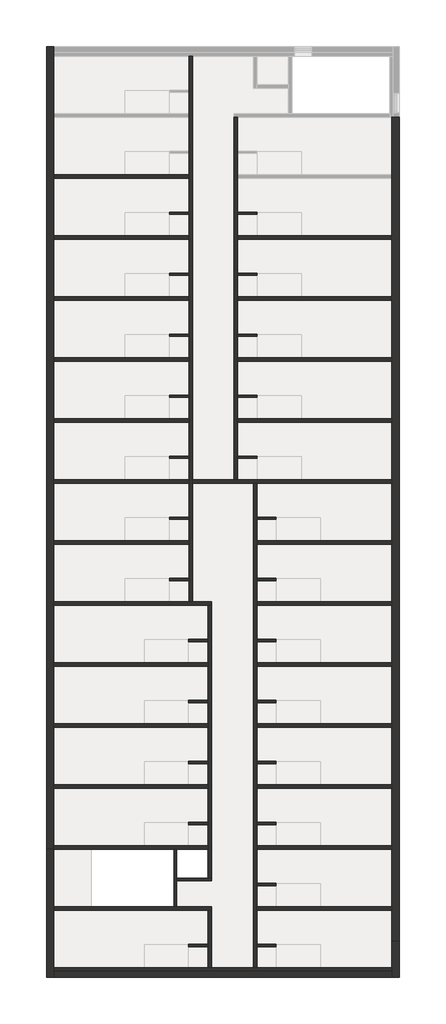
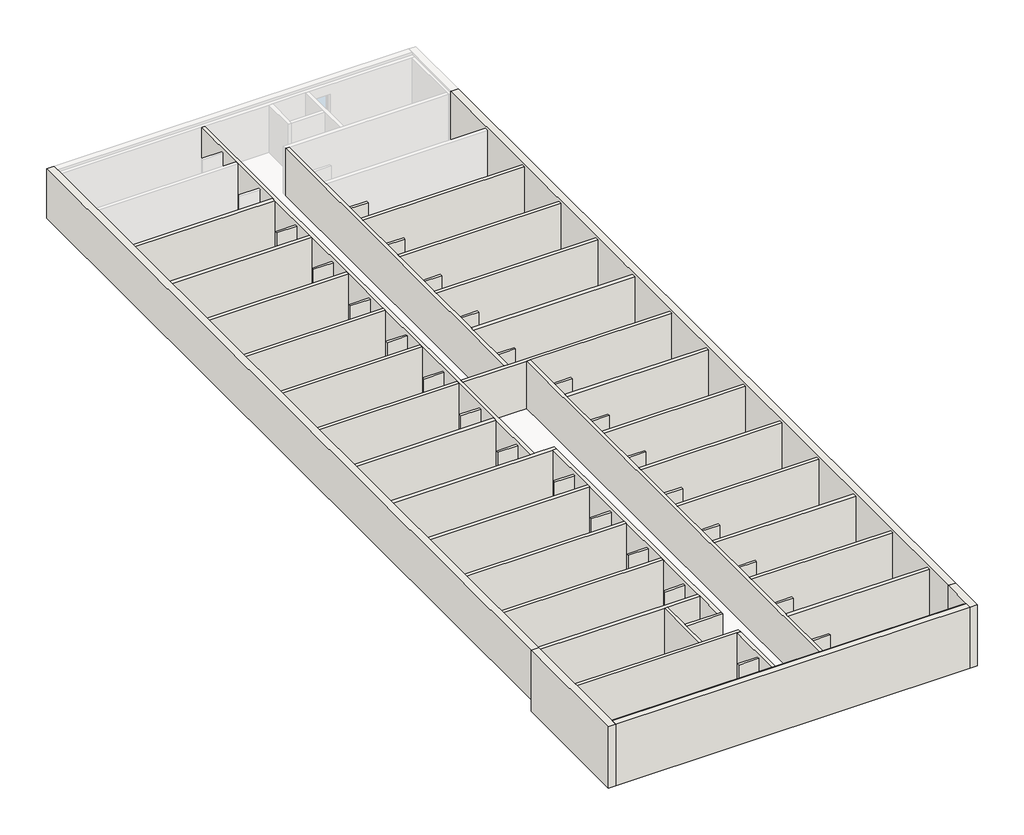
# One storey, part 1 of 2: 63 walls.
"""IFC4 building model written with IfcOpenShell, lengths in millimetres."""

import ifcopenshell
import ifcopenshell.guid

model = None  # the IFC model being written
_history = None  # IfcOwnerHistory: only IFC2X3 demands one
_inside = {}  # id of a spatial element -> (the spatial element, [elements in it])
_under = {}  # id of a project, library or spatial element -> (it, [spatial elements below it])
_declared = {}  # id of a project -> (the project, [libraries it declares])
_typed = {}  # id of a type object -> (the type object, [elements of that type])
_made_of = {}  # id of a material, layer set ... -> (it, [elements and type objects made of it])


def new_model(schema):
    """Start an empty IFC model of exactly this schema.

    Asked for "IFC4X3", IfcOpenShell would pick the latest addendum, in which some entities
    have other attributes; the version numbers below select the first issue.
    IFC2X3 requires an IfcOwnerHistory on every rooted entity: one is made here for all.
    """
    global model, _history
    if schema == "IFC4X3":
        model = ifcopenshell.file(schema_version=(4, 3, 0, 0))
    else:
        model = ifcopenshell.file(schema=schema)
    _inside.clear()
    _under.clear()
    _declared.clear()
    _typed.clear()
    _made_of.clear()
    _history = None
    if model.schema == "IFC2X3":
        org = make("IfcOrganization", Name="unknown")
        user = make(
            "IfcPersonAndOrganization",
            ThePerson=make("IfcPerson", FamilyName="unknown"),
            TheOrganization=org,
        )
        app = make(
            "IfcApplication",
            ApplicationDeveloper=org,
            Version="unknown",
            ApplicationFullName="unknown",
            ApplicationIdentifier="unknown",
        )
        _history = make(
            "IfcOwnerHistory",
            OwningUser=user,
            OwningApplication=app,
            ChangeAction="ADDED",
            CreationDate=0,
        )
    return model


def make(cls, **values):
    """One entity of the class cls with the attributes given. An attribute that is None is left unset."""
    return model.create_entity(
        cls, **{name: value for name, value in values.items() if value is not None}
    )


def rooted(cls, **values):
    """An entity with a GlobalId (a new one), such as an element, a storey or a relation."""
    return make(cls, GlobalId=ifcopenshell.guid.new(), OwnerHistory=_history, **values)


def si_unit(unit_type, name, prefix=None):
    """IfcSIUnit, for example si_unit("LENGTHUNIT", "METRE", prefix="MILLI")."""
    return make("IfcSIUnit", UnitType=unit_type, Prefix=prefix, Name=name)


def assignment(units):
    """IfcUnitAssignment: the units of a project."""
    return None if units is None else make("IfcUnitAssignment", Units=units)


def point(xyz):
    """IfcCartesianPoint."""
    return None if xyz is None else make("IfcCartesianPoint", Coordinates=xyz)


def direction(xyz):
    """IfcDirection."""
    return None if xyz is None else make("IfcDirection", DirectionRatios=xyz)


def frame(location, z_axis=None, x_axis=None):
    """IfcAxis2Placement3D, a coordinate frame: its origin and axes. An axis left out is left unset."""
    return make(
        "IfcAxis2Placement3D",
        Location=point(location),
        Axis=direction(z_axis),
        RefDirection=direction(x_axis),
    )


def origin():
    """The frame at (0, 0, 0) with its axes left unset."""
    return frame((0.0, 0.0, 0.0))


def place(relative_to, where):
    """IfcLocalPlacement: puts the frame where relative to a parent placement (None: the world)."""
    return make(
        "IfcLocalPlacement", PlacementRelTo=relative_to, RelativePlacement=where
    )


def context(
    kind, dimensions, precision=None, world=None, true_north=None, identifier=None
):
    """IfcGeometricRepresentationContext, for example the 3D "Model" context."""
    return make(
        "IfcGeometricRepresentationContext",
        ContextIdentifier=identifier,
        ContextType=kind,
        CoordinateSpaceDimension=dimensions,
        Precision=precision,
        WorldCoordinateSystem=world,
        TrueNorth=true_north,
    )


def project(units=None, contexts=None):
    """IfcProject with its units and contexts."""
    return rooted(
        "IfcProject",
        Name="project",
        RepresentationContexts=contexts,
        UnitsInContext=assignment(units),
    )


def spatial(cls, under=None, at=None, **own):
    """A site, building, storey or space (cls), placed at a placement, below another one or the project."""
    s = rooted(cls, ObjectPlacement=at, **own)
    if under is not None:
        _under.setdefault(under.id(), (under, []))[1].append(s)
    return s


def polyline(points):
    """IfcPolyline through the points."""
    return make("IfcPolyline", Points=[point(p) for p in points])


def outline(outer, holes=None, kind="AREA"):
    """IfcArbitraryClosedProfileDef: a profile drawn as a closed curve; with holes, ...WithVoids."""
    if holes is None:
        return make("IfcArbitraryClosedProfileDef", ProfileType=kind, OuterCurve=outer)
    return make(
        "IfcArbitraryProfileDefWithVoids",
        ProfileType=kind,
        OuterCurve=outer,
        InnerCurves=holes,
    )


def extrude(swept, where, along, depth):
    """IfcExtrudedAreaSolid: the profile swept, set in the frame where, extruded along a direction by depth."""
    return make(
        "IfcExtrudedAreaSolid",
        SweptArea=swept,
        Position=where,
        ExtrudedDirection=direction(along),
        Depth=depth,
    )


def faces_of(points, faces, orient=None, outer=None):
    """IfcFace entities. A face is a list of loops; a loop is a list of indices into points, from 0.

    orient and outer hold one flag for each loop. By default every Orientation is true, the
    first loop of a face is its IfcFaceOuterBound and the others are IfcFaceBound.
    """
    made = []
    for i, loops in enumerate(faces):
        bounds = []
        for j, loop in enumerate(loops):
            is_outer = j == 0 if outer is None else outer[i][j]
            bounds.append(
                make(
                    "IfcFaceOuterBound" if is_outer else "IfcFaceBound",
                    Bound=make("IfcPolyLoop", Polygon=[points[k] for k in loop]),
                    Orientation=True if orient is None else orient[i][j],
                )
            )
        made.append(make("IfcFace", Bounds=bounds))
    return made


def faceted_brep(points, faces, orient=None, outer=None, voids=None):
    """IfcFacetedBrep: a solid bounded by flat faces; with voids (closed shells), ...WithVoids."""
    shared = [point(p) for p in points]
    hull = make("IfcClosedShell", CfsFaces=faces_of(shared, faces, orient, outer))
    if voids is None:
        return make("IfcFacetedBrep", Outer=hull)
    return make(
        "IfcFacetedBrepWithVoids",
        Outer=hull,
        Voids=[
            make(cls, CfsFaces=faces_of(shared, fs, o, b)) for cls, fs, o, b in voids
        ],
    )


def shape(context_of_items, identifier, shape_type, items):
    """IfcShapeRepresentation: the items that make up one representation, for example the "Body"."""
    return make(
        "IfcShapeRepresentation",
        ContextOfItems=context_of_items,
        RepresentationIdentifier=identifier,
        RepresentationType=shape_type,
        Items=items,
    )


def made_of(thing, what):
    """Note that an element or type object is made of a material, layer set ...; save() writes the relation."""
    if what is not None:
        _made_of.setdefault(what.id(), (what, []))[1].append(thing)
    return thing


def element(
    cls,
    number,
    at=None,
    inside=None,
    cuts=None,
    type_object=None,
    material=None,
    context=None,
    identifier="Body",
    shape_type=None,
    held_by="IfcProductDefinitionShape",
    body=None,
    shapes=None,
    **own,
):
    """One element of the class cls, such as IfcWall. Its Tag is "e" and its number.

    at: its placement. inside: the storey or other place that contains it. cuts: it is an
    opening in that element (IfcRelVoidsElement). A single representation is given by context,
    identifier, shape_type and body (its items); several are given by shapes. held_by: the class
    of the entity that holds the representations. save() writes the other relations.
    """
    e = rooted(cls, Tag="e%d" % number, ObjectPlacement=at, **own)
    if body is not None:
        shapes = [shape(context, identifier, shape_type, body)]
    if shapes is not None:
        e.Representation = make(held_by, Representations=shapes)
    if inside is not None:
        _inside.setdefault(inside.id(), (inside, []))[1].append(e)
    if cuts is not None:
        rooted(
            "IfcRelVoidsElement", RelatingBuildingElement=cuts, RelatedOpeningElement=e
        )
    if type_object is not None:
        _typed.setdefault(type_object.id(), (type_object, []))[1].append(e)
    return made_of(e, material)


def aggregate(whole, parts):
    """IfcRelAggregates: a whole, such as a stair, and the parts it consists of."""
    return rooted("IfcRelAggregates", RelatingObject=whole, RelatedObjects=parts)


def save(model, path):
    """Write the relations noted so far, then the file.

    IfcRelAggregates (storeys below a building ...), IfcRelContainedInSpatialStructure (elements
    in a storey), IfcRelDefinesByType, IfcRelAssociatesMaterial and IfcRelDeclares: one each for
    every whole, place, type object, material and project.
    """
    for whole, parts in _under.values():
        aggregate(whole, parts)
    for where, things in _inside.values():
        rooted(
            "IfcRelContainedInSpatialStructure",
            RelatedElements=things,
            RelatingStructure=where,
        )
    for kind, things in _typed.values():
        rooted("IfcRelDefinesByType", RelatedObjects=things, RelatingType=kind)
    for what, things in _made_of.values():
        rooted("IfcRelAssociatesMaterial", RelatedObjects=things, RelatingMaterial=what)
    for by, libraries in _declared.values():
        rooted("IfcRelDeclares", RelatingContext=by, RelatedDefinitions=libraries)
    model.write(path)


model = new_model("IFC4")

# Units and contexts
model_context = context("Model", 3, world=origin())
ifc_project = project(units=[si_unit("LENGTHUNIT", "METRE", prefix="MILLI")], contexts=[model_context])

# Site, building, storey
site = spatial("IfcSite", under=ifc_project)
building = spatial("IfcBuilding", under=site)
storey = spatial("IfcBuildingStorey", under=building, Elevation=2880.0)

# Walls
placement = place(None, origin())
element("IfcWall", 1, at=placement, inside=storey, context=model_context, shape_type="Brep", body=[
    faceted_brep([(10800.3929779, -4022.7101651, 2750.0), (10800.3929779, -24822.7101651, 2750.0), (10800.3929779, -24822.7101651, 2880.0), (10800.3929779, -24822.7101651, 4980.0), (10800.3929779, -24822.7101651, 5630.0), (10800.3929779, -4022.7101651, 5630.0), (11000.3929779, -4022.7101651, 2750.0), (11000.3929779, -4022.7101651, 5630.0), (11000.3929779, -7322.7101651, 5630.0), (11000.3929779, -7522.7101651, 5630.0), (11000.3929779, -10822.7101651, 5630.0), (11000.3929779, -11022.7101651, 5630.0), (11000.3929779, -14322.7101651, 5630.0), (11000.3929779, -14522.7101651, 5630.0), (11000.3929779, -17822.7101651, 5630.0), (11000.3929779, -18022.7101651, 5630.0), (11000.3929779, -21322.7101651, 5630.0), (11000.3929779, -21522.7101651, 5630.0), (11000.3929779, -24822.7101651, 5630.0), (11000.3929779, -24822.7101651, 2750.0), (11000.3929779, -21522.7101651, 2750.0), (11000.3929779, -21322.7101651, 2750.0), (11000.3929779, -18022.7101651, 2750.0), (11000.3929779, -17822.7101651, 2750.0), (11000.3929779, -14522.7101651, 2750.0), (11000.3929779, -14322.7101651, 2750.0), (11000.3929779, -11022.7101651, 2750.0), (11000.3929779, -10822.7101651, 2750.0), (11000.3929779, -7522.7101651, 2750.0), (11000.3929779, -7322.7101651, 2750.0)], [[[0, 1, 2, 3, 4, 5]], [[6, 7, 8, 9, 10, 11, 12, 13, 14, 15, 16, 17, 18, 19, 20, 21, 22, 23, 24, 25, 26, 27, 28, 29]], [[1, 0, 6, 29, 28, 27, 26, 25, 24, 23, 22, 21, 20, 19]], [[5, 4, 18, 17, 16, 15, 14, 13, 12, 11, 10, 9, 8, 7]], [[0, 5, 7, 6]], [[4, 3, 2, 1, 19, 18]]]),
])
element("IfcWall", 2, at=placement, inside=storey, context=model_context, shape_type="Brep", body=[
    faceted_brep([(435.3929779, -46022.7101651, 2750.0), (7350.3929779, -46022.7101651, 2750.0), (7500.3929779, -46022.7101651, 2750.0), (9300.3929779, -46022.7101651, 2750.0), (9300.3929779, -46022.7101651, 5630.0), (7500.3929779, -46022.7101651, 5630.0), (7350.3929779, -46022.7101651, 5630.0), (435.3929779, -46022.7101651, 5630.0), (435.3929779, -46022.7101651, 2880.0), (435.3929779, -45822.7101651, 2750.0), (435.3929779, -45822.7101651, 5630.0), (9300.3929779, -45822.7101651, 5630.0), (9300.3929779, -45822.7101651, 2750.0)], [[[0, 1, 2, 3, 4, 5, 6, 7, 8]], [[9, 10, 11, 12]], [[3, 2, 1, 0, 9, 12]], [[7, 6, 5, 4, 11, 10]], [[4, 3, 12, 11]], [[0, 8, 7, 10, 9]]]),
])
element("IfcWall", 3, at=placement, inside=storey, context=model_context, shape_type="Brep", body=[
    faceted_brep([(435.3929779, -49522.7101651, 2750.0), (9300.3929779, -49522.7101651, 2750.0), (9500.3929779, -49522.7101651, 2750.0), (9500.3929779, -49522.7101651, 5630.0), (9300.3929779, -49522.7101651, 5630.0), (435.3929779, -49522.7101651, 5630.0), (435.3929779, -49322.7101651, 2750.0), (435.3929779, -49322.7101651, 5630.0), (7350.3929779, -49322.7101651, 5630.0), (7500.3929779, -49322.7101651, 5630.0), (9500.3929779, -49322.7101651, 5630.0), (9500.3929779, -49322.7101651, 2750.0), (7500.3929779, -49322.7101651, 2750.0), (7350.3929779, -49322.7101651, 2750.0)], [[[0, 1, 2, 3, 4, 5]], [[6, 7, 8, 9, 10, 11, 12, 13]], [[2, 1, 0, 6, 13, 12, 11]], [[5, 4, 3, 10, 9, 8, 7]], [[3, 2, 11, 10]], [[0, 5, 7, 6]]]),
])
element("IfcWall", 4, at=placement, inside=storey, context=model_context, shape_type="Brep", body=[
    faceted_brep([(12100.3929779, -52822.7101651, 2750.0), (12100.3929779, -49522.7101651, 2750.0), (12100.3929779, -49322.7101651, 2750.0), (12100.3929779, -46022.7101651, 2750.0), (12100.3929779, -45822.7101651, 2750.0), (12100.3929779, -42522.7101651, 2750.0), (12100.3929779, -42322.7101651, 2750.0), (12100.3929779, -39022.7101651, 2750.0), (12100.3929779, -38822.7101651, 2750.0), (12100.3929779, -35522.7101651, 2750.0), (12100.3929779, -35322.7101651, 2750.0), (12100.3929779, -32022.7101651, 2750.0), (12100.3929779, -31822.7101651, 2750.0), (12100.3929779, -28522.7101651, 2750.0), (12100.3929779, -28322.7101651, 2750.0), (12100.3929779, -25022.7101651, 2750.0), (12100.3929779, -25022.7101651, 5630.0), (12100.3929779, -28322.7101651, 5630.0), (12100.3929779, -28522.7101651, 5630.0), (12100.3929779, -31822.7101651, 5630.0), (12100.3929779, -32022.7101651, 5630.0), (12100.3929779, -35322.7101651, 5630.0), (12100.3929779, -35522.7101651, 5630.0), (12100.3929779, -38822.7101651, 5630.0), (12100.3929779, -39022.7101651, 5630.0), (12100.3929779, -42322.7101651, 5630.0), (12100.3929779, -42522.7101651, 5630.0), (12100.3929779, -45822.7101651, 5630.0), (12100.3929779, -46022.7101651, 5630.0), (12100.3929779, -49322.7101651, 5630.0), (12100.3929779, -49522.7101651, 5630.0), (12100.3929779, -52822.7101651, 5630.0), (11900.3929779, -52822.7101651, 2750.0), (11900.3929779, -52822.7101651, 5630.0), (11900.3929779, -25022.7101651, 5630.0), (11900.3929779, -25022.7101651, 2750.0)], [[[0, 1, 2, 3, 4, 5, 6, 7, 8, 9, 10, 11, 12, 13, 14, 15, 16, 17, 18, 19, 20, 21, 22, 23, 24, 25, 26, 27, 28, 29, 30, 31]], [[32, 33, 34, 35]], [[15, 14, 13, 12, 11, 10, 9, 8, 7, 6, 5, 4, 3, 2, 1, 0, 32, 35]], [[31, 30, 29, 28, 27, 26, 25, 24, 23, 22, 21, 20, 19, 18, 17, 16, 34, 33]], [[16, 15, 35, 34]], [[0, 31, 33, 32]]]),
])
element("IfcWall", 5, at=placement, inside=storey, context=model_context, shape_type="SweptSolid", body=[
    extrude(outline(polyline([(19865.3929779, -46022.7101651), (12100.3929779, -46022.7101651), (12100.3929779, -45822.7101651), (19865.3929779, -45822.7101651), (19865.3929779, -46022.7101651)])), frame((0.0, 0.0, 2750.0), z_axis=(0.0, 0.0, 1.0), x_axis=(1.0, 0.0, 0.0)), (0.0, 0.0, 1.0), 2880.0),
])
element("IfcWall", 6, at=placement, inside=storey, context=model_context, shape_type="Brep", body=[
    faceted_brep([(7350.3929779, -46022.7101651, 2750.0), (7350.3929779, -49322.7101651, 2750.0), (7350.3929779, -49322.7101651, 5630.0), (7350.3929779, -46022.7101651, 5630.0), (7500.3929779, -46022.7101651, 2750.0), (7500.3929779, -46022.7101651, 5630.0), (7500.3929779, -47672.7101651, 5630.0), (7500.3929779, -47822.7101651, 5630.0), (7500.3929779, -49322.7101651, 5630.0), (7500.3929779, -49322.7101651, 2750.0), (7500.3929779, -47822.7101651, 2750.0), (7500.3929779, -47672.7101651, 2750.0)], [[[0, 1, 2, 3]], [[4, 5, 6, 7, 8, 9, 10, 11]], [[1, 0, 4, 11, 10, 9]], [[3, 2, 8, 7, 6, 5]], [[2, 1, 9, 8]], [[0, 3, 5, 4]]]),
])
element("IfcWall", 7, at=placement, inside=storey, context=model_context, shape_type="Brep", body=[
    faceted_brep([(7500.3929779, -47822.7101651, 2750.0), (9500.3929779, -47822.7101651, 2750.0), (9500.3929779, -47822.7101651, 5630.0), (7500.3929779, -47822.7101651, 5630.0), (7500.3929779, -47672.7101651, 2750.0), (7500.3929779, -47672.7101651, 5630.0), (9300.3929779, -47672.7101651, 5630.0), (9500.3929779, -47672.7101651, 5630.0), (9500.3929779, -47672.7101651, 2750.0), (9300.3929779, -47672.7101651, 2750.0)], [[[0, 1, 2, 3]], [[4, 5, 6, 7, 8, 9]], [[1, 0, 4, 9, 8]], [[3, 2, 7, 6, 5]], [[0, 3, 5, 4]], [[2, 1, 8, 7]]]),
])
element("IfcWall", 8, at=placement, inside=storey, context=model_context, shape_type="Brep", body=[
    faceted_brep([(9500.3929779, -47672.7101651, 2750.0), (9500.3929779, -32022.7101651, 2750.0), (9500.3929779, -32022.7101651, 5630.0), (9500.3929779, -47672.7101651, 5630.0), (9300.3929779, -32022.7101651, 2750.0), (9300.3929779, -35322.7101651, 2750.0), (9300.3929779, -35522.7101651, 2750.0), (9300.3929779, -38822.7101651, 2750.0), (9300.3929779, -39022.7101651, 2750.0), (9300.3929779, -42322.7101651, 2750.0), (9300.3929779, -42522.7101651, 2750.0), (9300.3929779, -45822.7101651, 2750.0), (9300.3929779, -46022.7101651, 2750.0), (9300.3929779, -47672.7101651, 2750.0), (9300.3929779, -47672.7101651, 5630.0), (9300.3929779, -46022.7101651, 5630.0), (9300.3929779, -45822.7101651, 5630.0), (9300.3929779, -42522.7101651, 5630.0), (9300.3929779, -42322.7101651, 5630.0), (9300.3929779, -39022.7101651, 5630.0), (9300.3929779, -38822.7101651, 5630.0), (9300.3929779, -35522.7101651, 5630.0), (9300.3929779, -35322.7101651, 5630.0), (9300.3929779, -32022.7101651, 5630.0)], [[[0, 1, 2, 3]], [[4, 5, 6, 7, 8, 9, 10, 11, 12, 13, 14, 15, 16, 17, 18, 19, 20, 21, 22, 23]], [[1, 0, 13, 12, 11, 10, 9, 8, 7, 6, 5, 4]], [[3, 2, 23, 22, 21, 20, 19, 18, 17, 16, 15, 14]], [[0, 3, 14, 13]], [[2, 1, 4, 23]]]),
])
element("IfcWall", 9, at=placement, inside=storey, context=model_context, shape_type="SweptSolid", body=[
    extrude(outline(polyline([(9300.3929779, -42522.7101651), (435.3929779, -42522.7101651), (435.3929779, -42322.7101651), (9300.3929779, -42322.7101651), (9300.3929779, -42522.7101651)])), frame((0.0, 0.0, 2750.0), z_axis=(0.0, 0.0, 1.0), x_axis=(1.0, 0.0, 0.0)), (0.0, 0.0, 1.0), 2880.0),
])
element("IfcWall", 10, at=placement, inside=storey, context=model_context, shape_type="SweptSolid", body=[
    extrude(outline(polyline([(435.3929779, -38822.7101651), (9300.3929779, -38822.7101651), (9300.3929779, -39022.7101651), (435.3929779, -39022.7101651), (435.3929779, -38822.7101651)])), frame((0.0, 0.0, 2750.0), z_axis=(0.0, 0.0, 1.0), x_axis=(1.0, 0.0, 0.0)), (0.0, 0.0, 1.0), 2880.0),
])
element("IfcWall", 11, at=placement, inside=storey, context=model_context, shape_type="SweptSolid", body=[
    extrude(outline(polyline([(435.3929779, -35322.7101651), (9300.3929779, -35322.7101651), (9300.3929779, -35522.7101651), (435.3929779, -35522.7101651), (435.3929779, -35322.7101651)])), frame((0.0, 0.0, 2750.0), z_axis=(0.0, 0.0, 1.0), x_axis=(1.0, 0.0, 0.0)), (0.0, 0.0, 1.0), 2880.0),
])
element("IfcWall", 12, at=placement, inside=storey, context=model_context, shape_type="Brep", body=[
    faceted_brep([(9500.3929779, -31822.7101651, 2750.0), (8400.3929779, -31822.7101651, 2750.0), (8200.3929779, -31822.7101651, 2750.0), (435.3929779, -31822.7101651, 2750.0), (435.3929779, -31822.7101651, 5630.0), (8200.3929779, -31822.7101651, 5630.0), (8400.3929779, -31822.7101651, 5630.0), (9500.3929779, -31822.7101651, 5630.0), (9500.3929779, -32022.7101651, 2750.0), (9500.3929779, -32022.7101651, 5630.0), (9300.3929779, -32022.7101651, 5630.0), (435.3929779, -32022.7101651, 5630.0), (435.3929779, -32022.7101651, 2750.0), (9300.3929779, -32022.7101651, 2750.0)], [[[0, 1, 2, 3, 4, 5, 6, 7]], [[8, 9, 10, 11, 12, 13]], [[3, 2, 1, 0, 8, 13, 12]], [[7, 6, 5, 4, 11, 10, 9]], [[0, 7, 9, 8]], [[4, 3, 12, 11]]]),
])
element("IfcWall", 13, at=placement, inside=storey, context=model_context, shape_type="SweptSolid", body=[
    extrude(outline(polyline([(475.3929779, -28322.7101651), (8200.3929779, -28322.7101651), (8200.3929779, -28522.7101651), (475.3929779, -28522.7101651), (475.3929779, -28322.7101651)])), frame((0.0, 0.0, 2750.0), z_axis=(0.0, 0.0, 1.0), x_axis=(1.0, 0.0, 0.0)), (0.0, 0.0, 1.0), 2880.0),
])
element("IfcWall", 14, at=placement, inside=storey, context=model_context, shape_type="SweptSolid", body=[
    extrude(outline(polyline([(435.3929779, -24822.7101651), (8200.3929779, -24822.7101651), (8200.3929779, -25022.7101651), (435.3929779, -25022.7101651), (435.3929779, -24822.7101651)])), frame((0.0, 0.0, 2750.0), z_axis=(0.0, 0.0, 1.0), x_axis=(1.0, 0.0, 0.0)), (0.0, 0.0, 1.0), 2880.0),
])
element("IfcWall", 15, at=placement, inside=storey, context=model_context, shape_type="SweptSolid", body=[
    extrude(outline(polyline([(435.3929779, -21322.7101651), (8200.3929779, -21322.7101651), (8200.3929779, -21522.7101651), (435.3929779, -21522.7101651), (435.3929779, -21322.7101651)])), frame((0.0, 0.0, 2750.0), z_axis=(0.0, 0.0, 1.0), x_axis=(1.0, 0.0, 0.0)), (0.0, 0.0, 1.0), 2880.0),
])
element("IfcWall", 16, at=placement, inside=storey, context=model_context, shape_type="SweptSolid", body=[
    extrude(outline(polyline([(435.3929779, -17822.7101651), (8200.3929779, -17822.7101651), (8200.3929779, -18022.7101651), (435.3929779, -18022.7101651), (435.3929779, -17822.7101651)])), frame((0.0, 0.0, 2750.0), z_axis=(0.0, 0.0, 1.0), x_axis=(1.0, 0.0, 0.0)), (0.0, 0.0, 1.0), 2880.0),
])
element("IfcWall", 17, at=placement, inside=storey, context=model_context, shape_type="SweptSolid", body=[
    extrude(outline(polyline([(435.3929779, -14322.7101651), (8200.3929779, -14322.7101651), (8200.3929779, -14522.7101651), (435.3929779, -14522.7101651), (435.3929779, -14322.7101651)])), frame((0.0, 0.0, 2750.0), z_axis=(0.0, 0.0, 1.0), x_axis=(1.0, 0.0, 0.0)), (0.0, 0.0, 1.0), 2880.0),
])
element("IfcWall", 18, at=placement, inside=storey, context=model_context, shape_type="SweptSolid", body=[
    extrude(outline(polyline([(435.3929779, -10822.7101651), (8200.3929779, -10822.7101651), (8200.3929779, -11022.7101651), (435.3929779, -11022.7101651), (435.3929779, -10822.7101651)])), frame((0.0, 0.0, 2750.0), z_axis=(0.0, 0.0, 1.0), x_axis=(1.0, 0.0, 0.0)), (0.0, 0.0, 1.0), 2880.0),
])
element("IfcWall", 19, at=placement, inside=storey, context=model_context, shape_type="SweptSolid", body=[
    extrude(outline(polyline([(435.3929779, -7322.7101651), (8200.3929779, -7322.7101651), (8200.3929779, -7522.7101651), (435.3929779, -7522.7101651), (435.3929779, -7322.7101651)])), frame((0.0, 0.0, 2750.0), z_axis=(0.0, 0.0, 1.0), x_axis=(1.0, 0.0, 0.0)), (0.0, 0.0, 1.0), 2880.0),
])
element("IfcWall", 20, at=placement, inside=storey, context=model_context, shape_type="Brep", body=[
    faceted_brep([(8400.3929779, -31822.7101651, 2750.0), (8400.3929779, -25022.7101651, 2750.0), (8400.3929779, -24822.7101651, 2750.0), (8400.3929779, -522.7101651, 2750.0), (8400.3929779, -522.7101651, 5630.0), (8400.3929779, -24822.7101651, 5630.0), (8400.3929779, -25022.7101651, 5630.0), (8400.3929779, -31822.7101651, 5630.0), (8200.3929779, -522.7101651, 2750.0), (8200.3929779, -3822.7101651, 2750.0), (8200.3929779, -4022.7101651, 2750.0), (8200.3929779, -7322.7101651, 2750.0), (8200.3929779, -7522.7101651, 2750.0), (8200.3929779, -10822.7101651, 2750.0), (8200.3929779, -11022.7101651, 2750.0), (8200.3929779, -14322.7101651, 2750.0), (8200.3929779, -14522.7101651, 2750.0), (8200.3929779, -17822.7101651, 2750.0), (8200.3929779, -18022.7101651, 2750.0), (8200.3929779, -21322.7101651, 2750.0), (8200.3929779, -21522.7101651, 2750.0), (8200.3929779, -24822.7101651, 2750.0), (8200.3929779, -25022.7101651, 2750.0), (8200.3929779, -28322.7101651, 2750.0), (8200.3929779, -28522.7101651, 2750.0), (8200.3929779, -31822.7101651, 2750.0), (8200.3929779, -31822.7101651, 5630.0), (8200.3929779, -28522.7101651, 5630.0), (8200.3929779, -28322.7101651, 5630.0), (8200.3929779, -25022.7101651, 5630.0), (8200.3929779, -24822.7101651, 5630.0), (8200.3929779, -21522.7101651, 5630.0), (8200.3929779, -21322.7101651, 5630.0), (8200.3929779, -18022.7101651, 5630.0), (8200.3929779, -17822.7101651, 5630.0), (8200.3929779, -14522.7101651, 5630.0), (8200.3929779, -14322.7101651, 5630.0), (8200.3929779, -11022.7101651, 5630.0), (8200.3929779, -10822.7101651, 5630.0), (8200.3929779, -7522.7101651, 5630.0), (8200.3929779, -7322.7101651, 5630.0), (8200.3929779, -4022.7101651, 5630.0), (8200.3929779, -3822.7101651, 5630.0), (8200.3929779, -522.7101651, 5630.0)], [[[0, 1, 2, 3, 4, 5, 6, 7]], [[8, 9, 10, 11, 12, 13, 14, 15, 16, 17, 18, 19, 20, 21, 22, 23, 24, 25, 26, 27, 28, 29, 30, 31, 32, 33, 34, 35, 36, 37, 38, 39, 40, 41, 42, 43]], [[3, 2, 1, 0, 25, 24, 23, 22, 21, 20, 19, 18, 17, 16, 15, 14, 13, 12, 11, 10, 9, 8]], [[7, 6, 5, 4, 43, 42, 41, 40, 39, 38, 37, 36, 35, 34, 33, 32, 31, 30, 29, 28, 27, 26]], [[4, 3, 8, 43]], [[0, 7, 26, 25]]]),
])
element("IfcWall", 21, at=placement, inside=storey, context=model_context, shape_type="SweptSolid", body=[
    extrude(outline(polyline([(11000.3929779, -10822.7101651), (19865.3929779, -10822.7101651), (19865.3929779, -11022.7101651), (11000.3929779, -11022.7101651), (11000.3929779, -10822.7101651)])), frame((0.0, 0.0, 2750.0), z_axis=(0.0, 0.0, 1.0), x_axis=(1.0, 0.0, 0.0)), (0.0, 0.0, 1.0), 2880.0),
])
element("IfcWall", 22, at=placement, inside=storey, context=model_context, shape_type="SweptSolid", body=[
    extrude(outline(polyline([(11000.3929779, -14322.7101651), (19865.3929779, -14322.7101651), (19865.3929779, -14522.7101651), (11000.3929779, -14522.7101651), (11000.3929779, -14322.7101651)])), frame((0.0, 0.0, 2750.0), z_axis=(0.0, 0.0, 1.0), x_axis=(1.0, 0.0, 0.0)), (0.0, 0.0, 1.0), 2880.0),
])
element("IfcWall", 23, at=placement, inside=storey, context=model_context, shape_type="SweptSolid", body=[
    extrude(outline(polyline([(11000.3929779, -17822.7101651), (19865.3929779, -17822.7101651), (19865.3929779, -18022.7101651), (11000.3929779, -18022.7101651), (11000.3929779, -17822.7101651)])), frame((0.0, 0.0, 2750.0), z_axis=(0.0, 0.0, 1.0), x_axis=(1.0, 0.0, 0.0)), (0.0, 0.0, 1.0), 2880.0),
])
element("IfcWall", 24, at=placement, inside=storey, context=model_context, shape_type="SweptSolid", body=[
    extrude(outline(polyline([(11000.3929779, -21322.7101651), (19865.3929779, -21322.7101651), (19865.3929779, -21522.7101651), (11000.3929779, -21522.7101651), (11000.3929779, -21322.7101651)])), frame((0.0, 0.0, 2750.0), z_axis=(0.0, 0.0, 1.0), x_axis=(1.0, 0.0, 0.0)), (0.0, 0.0, 1.0), 2880.0),
])
element("IfcWall", 25, at=placement, inside=storey, context=model_context, shape_type="SweptSolid", body=[
    extrude(outline(polyline([(12100.3929779, -28322.7101651), (19865.3929779, -28322.7101651), (19865.3929779, -28522.7101651), (12100.3929779, -28522.7101651), (12100.3929779, -28322.7101651)])), frame((0.0, 0.0, 2750.0), z_axis=(0.0, 0.0, 1.0), x_axis=(1.0, 0.0, 0.0)), (0.0, 0.0, 1.0), 2880.0),
])
element("IfcWall", 26, at=placement, inside=storey, context=model_context, shape_type="Brep", body=[
    faceted_brep([(19865.3929779, -24822.7101651, 2750.0), (11000.3929779, -24822.7101651, 2750.0), (10800.3929779, -24822.7101651, 2750.0), (8400.3929779, -24822.7101651, 2750.0), (8400.3929779, -24822.7101651, 5630.0), (10800.3929779, -24822.7101651, 5630.0), (11000.3929779, -24822.7101651, 5630.0), (19865.3929779, -24822.7101651, 5630.0), (19865.3929779, -25022.7101651, 2750.0), (19865.3929779, -25022.7101651, 5630.0), (12100.3929779, -25022.7101651, 5630.0), (11900.3929779, -25022.7101651, 5630.0), (8400.3929779, -25022.7101651, 5630.0), (8400.3929779, -25022.7101651, 2750.0), (11900.3929779, -25022.7101651, 2750.0), (12100.3929779, -25022.7101651, 2750.0)], [[[0, 1, 2, 3, 4, 5, 6, 7]], [[8, 9, 10, 11, 12, 13, 14, 15]], [[3, 2, 1, 0, 8, 15, 14, 13]], [[7, 6, 5, 4, 12, 11, 10, 9]], [[0, 7, 9, 8]], [[4, 3, 13, 12]]]),
])
element("IfcWall", 27, at=placement, inside=storey, context=model_context, shape_type="SweptSolid", body=[
    extrude(outline(polyline([(12100.3929779, -31822.7101651), (19865.3929779, -31822.7101651), (19865.3929779, -32022.7101651), (12100.3929779, -32022.7101651), (12100.3929779, -31822.7101651)])), frame((0.0, 0.0, 2750.0), z_axis=(0.0, 0.0, 1.0), x_axis=(1.0, 0.0, 0.0)), (0.0, 0.0, 1.0), 2880.0),
])
element("IfcWall", 28, at=placement, inside=storey, context=model_context, shape_type="SweptSolid", body=[
    extrude(outline(polyline([(12100.3929779, -35322.7101651), (19865.3929779, -35322.7101651), (19865.3929779, -35522.7101651), (12100.3929779, -35522.7101651), (12100.3929779, -35322.7101651)])), frame((0.0, 0.0, 2750.0), z_axis=(0.0, 0.0, 1.0), x_axis=(1.0, 0.0, 0.0)), (0.0, 0.0, 1.0), 2880.0),
])
element("IfcWall", 29, at=placement, inside=storey, context=model_context, shape_type="SweptSolid", body=[
    extrude(outline(polyline([(12100.3929779, -38822.7101651), (19865.3929779, -38822.7101651), (19865.3929779, -39022.7101651), (12100.3929779, -39022.7101651), (12100.3929779, -38822.7101651)])), frame((0.0, 0.0, 2750.0), z_axis=(0.0, 0.0, 1.0), x_axis=(1.0, 0.0, 0.0)), (0.0, 0.0, 1.0), 2880.0),
])
element("IfcWall", 30, at=placement, inside=storey, context=model_context, shape_type="SweptSolid", body=[
    extrude(outline(polyline([(12100.3929779, -42322.7101651), (19865.3929779, -42322.7101651), (19865.3929779, -42522.7101651), (12100.3929779, -42522.7101651), (12100.3929779, -42322.7101651)])), frame((0.0, 0.0, 2750.0), z_axis=(0.0, 0.0, 1.0), x_axis=(1.0, 0.0, 0.0)), (0.0, 0.0, 1.0), 2880.0),
])
element("IfcWall", 31, at=placement, inside=storey, context=model_context, shape_type="Brep", body=[
    faceted_brep([(435.3929779, -53022.7101651, 2750.0), (19865.3929779, -53022.7101651, 2750.0), (19865.3929779, -53022.7101651, 5630.0), (435.3929779, -53022.7101651, 5630.0), (435.3929779, -52822.7101651, 2750.0), (435.3929779, -52822.7101651, 5630.0), (9300.3929779, -52822.7101651, 5630.0), (9500.3929779, -52822.7101651, 5630.0), (11900.3929779, -52822.7101651, 5630.0), (12100.3929779, -52822.7101651, 5630.0), (19865.3929779, -52822.7101651, 5630.0), (19865.3929779, -52822.7101651, 2750.0), (12100.3929779, -52822.7101651, 2750.0), (11900.3929779, -52822.7101651, 2750.0), (9500.3929779, -52822.7101651, 2750.0), (9300.3929779, -52822.7101651, 2750.0)], [[[0, 1, 2, 3]], [[4, 5, 6, 7, 8, 9, 10, 11, 12, 13, 14, 15]], [[1, 0, 4, 15, 14, 13, 12, 11]], [[3, 2, 10, 9, 8, 7, 6, 5]], [[2, 1, 11, 10]], [[0, 3, 5, 4]]]),
])
element("IfcWall", 32, at=placement, inside=storey, context=model_context, shape_type="SweptSolid", body=[
    extrude(outline(polyline([(9300.3929779, -52822.7101651), (9300.3929779, -49522.7101651), (9500.3929779, -49522.7101651), (9500.3929779, -52822.7101651), (9300.3929779, -52822.7101651)])), frame((0.0, 0.0, 2750.0), z_axis=(0.0, 0.0, 1.0), x_axis=(1.0, 0.0, 0.0)), (0.0, 0.0, 1.0), 2880.0),
])
element("IfcWall", 33, at=placement, inside=storey, context=model_context, shape_type="SweptSolid", body=[
    extrude(outline(polyline([(19865.3929779, -49522.7101651), (12100.3929779, -49522.7101651), (12100.3929779, -49322.7101651), (19865.3929779, -49322.7101651), (19865.3929779, -49522.7101651)])), frame((0.0, 0.0, 2750.0), z_axis=(0.0, 0.0, 1.0), x_axis=(1.0, 0.0, 0.0)), (0.0, 0.0, 1.0), 2880.0),
])
element("IfcWall", 34, at=placement, inside=storey, context=model_context, shape_type="Brep", body=[
    faceted_brep([(435.3929779, -53372.7101651, 2203.6), (19865.3929779, -53372.7101651, 2203.6), (19865.3929779, -53372.7101651, 5760.0), (435.3929779, -53372.7101651, 5760.0), (435.3929779, -53022.7101651, 2203.6), (435.3929779, -53022.7101651, 2750.0), (435.3929779, -53022.7101651, 5630.0), (435.3929779, -53022.7101651, 5760.0), (19865.3929779, -53022.7101651, 5760.0), (19865.3929779, -53022.7101651, 5630.0), (19865.3929779, -53022.7101651, 2750.0), (19865.3929779, -53022.7101651, 2203.6)], [[[0, 1, 2, 3]], [[4, 5, 6, 7, 8, 9, 10, 11]], [[1, 0, 4, 11]], [[3, 2, 8, 7]], [[2, 1, 11, 10, 9, 8]], [[0, 3, 7, 6, 5, 4]]]),
])
element("IfcWall", 35, at=placement, inside=storey, context=model_context, shape_type="Brep", body=[
    faceted_brep([(23.3929779, 27.2898349, 5760.0), (23.3929779, 27.2898349, 2880.0), (23.3929779, -46022.7101651, 2880.0), (23.3929779, -46022.7101651, 5760.0), (435.3929779, 27.2898349, 2880.0), (435.3929779, 27.2898349, 5760.0), (435.3929779, -322.7101651, 5760.0), (435.3929779, -46022.7101651, 5760.0), (435.3929779, -46022.7101651, 5630.0), (435.3929779, -46022.7101651, 2880.0), (435.3929779, -322.7101651, 2880.0)], [[[0, 1, 2, 3]], [[4, 5, 6, 7, 8, 9, 10]], [[1, 4, 10, 9, 2]], [[5, 0, 3, 7, 6]], [[1, 0, 5, 4]], [[3, 2, 9, 8, 7]]]),
])
element("IfcWall", 36, at=placement, inside=storey, context=model_context, shape_type="Brep", body=[
    faceted_brep([(19865.3929779, -4022.7101651, 2880.0), (19865.3929779, -51297.7101651, 2880.0), (19865.3929779, -51297.7101651, 5760.0), (19865.3929779, -4022.7101651, 5760.0), (20277.3929779, -4022.7101651, 2880.0), (20277.3929779, -4022.7101651, 5760.0), (20277.3929779, -51297.7101651, 5760.0), (20277.3929779, -51297.7101651, 2880.0), (19900.3929779, -4022.7101651, 2880.0), (19900.3929779, -4022.7101651, 5760.0)], [[[0, 1, 2, 3]], [[4, 5, 6, 7]], [[1, 0, 8, 4, 7]], [[2, 1, 7, 6]], [[3, 2, 6, 5, 9]], [[0, 3, 9, 5, 4, 8]]]),
])
element("IfcWall", 37, at=placement, inside=storey, context=model_context, shape_type="SweptSolid", body=[
    extrude(outline(polyline([(8200.3929779, -9602.7101651), (7090.3929779, -9602.7101651), (7090.3929779, -9477.7101651), (8200.3929779, -9477.7101651), (8200.3929779, -9602.7101651)])), frame((0.0, 0.0, 2880.0), z_axis=(0.0, 0.0, 1.0), x_axis=(1.0, 0.0, 0.0)), (0.0, 0.0, 1.0), 2530.0),
])
element("IfcWall", 38, at=placement, inside=storey, context=model_context, shape_type="SweptSolid", body=[
    extrude(outline(polyline([(8200.3929779, -13102.7101651), (7090.3929779, -13102.7101651), (7090.3929779, -12977.7101651), (8200.3929779, -12977.7101651), (8200.3929779, -13102.7101651)])), frame((0.0, 0.0, 2880.0), z_axis=(0.0, 0.0, 1.0), x_axis=(1.0, 0.0, 0.0)), (0.0, 0.0, 1.0), 2530.0),
])
element("IfcWall", 39, at=placement, inside=storey, context=model_context, shape_type="SweptSolid", body=[
    extrude(outline(polyline([(8200.3929779, -16602.7101651), (7090.3929779, -16602.7101651), (7090.3929779, -16477.7101651), (8200.3929779, -16477.7101651), (8200.3929779, -16602.7101651)])), frame((0.0, 0.0, 2880.0), z_axis=(0.0, 0.0, 1.0), x_axis=(1.0, 0.0, 0.0)), (0.0, 0.0, 1.0), 2530.0),
])
element("IfcWall", 40, at=placement, inside=storey, context=model_context, shape_type="SweptSolid", body=[
    extrude(outline(polyline([(8200.3929779, -20102.7101651), (7090.3929779, -20102.7101651), (7090.3929779, -19977.7101651), (8200.3929779, -19977.7101651), (8200.3929779, -20102.7101651)])), frame((0.0, 0.0, 2880.0), z_axis=(0.0, 0.0, 1.0), x_axis=(1.0, 0.0, 0.0)), (0.0, 0.0, 1.0), 2530.0),
])
element("IfcWall", 41, at=placement, inside=storey, context=model_context, shape_type="SweptSolid", body=[
    extrude(outline(polyline([(8200.3929779, -23602.7101651), (7090.3929779, -23602.7101651), (7090.3929779, -23477.7101651), (8200.3929779, -23477.7101651), (8200.3929779, -23602.7101651)])), frame((0.0, 0.0, 2880.0), z_axis=(0.0, 0.0, 1.0), x_axis=(1.0, 0.0, 0.0)), (0.0, 0.0, 1.0), 2530.0),
])
element("IfcWall", 42, at=placement, inside=storey, context=model_context, shape_type="SweptSolid", body=[
    extrude(outline(polyline([(8200.3929779, -27102.7101651), (7090.3929779, -27102.7101651), (7090.3929779, -26977.7101651), (8200.3929779, -26977.7101651), (8200.3929779, -27102.7101651)])), frame((0.0, 0.0, 2880.0), z_axis=(0.0, 0.0, 1.0), x_axis=(1.0, 0.0, 0.0)), (0.0, 0.0, 1.0), 2530.0),
])
element("IfcWall", 43, at=placement, inside=storey, context=model_context, shape_type="SweptSolid", body=[
    extrude(outline(polyline([(8200.3929779, -30602.7101651), (7090.3929779, -30602.7101651), (7090.3929779, -30477.7101651), (8200.3929779, -30477.7101651), (8200.3929779, -30602.7101651)])), frame((0.0, 0.0, 2880.0), z_axis=(0.0, 0.0, 1.0), x_axis=(1.0, 0.0, 0.0)), (0.0, 0.0, 1.0), 2530.0),
])
element("IfcWall", 44, at=placement, inside=storey, context=model_context, shape_type="SweptSolid", body=[
    extrude(outline(polyline([(9300.3929779, -34102.7101651), (8190.3929778, -34102.7101651), (8190.3929778, -33977.7101651), (9300.3929779, -33977.7101651), (9300.3929779, -34102.7101651)])), frame((0.0, 0.0, 2880.0), z_axis=(0.0, 0.0, 1.0), x_axis=(1.0, 0.0, 0.0)), (0.0, 0.0, 1.0), 2530.0),
])
element("IfcWall", 45, at=placement, inside=storey, context=model_context, shape_type="SweptSolid", body=[
    extrude(outline(polyline([(9300.3929779, -37602.7101651), (8190.3929778, -37602.7101651), (8190.3929778, -37477.7101651), (9300.3929779, -37477.7101651), (9300.3929779, -37602.7101651)])), frame((0.0, 0.0, 2880.0), z_axis=(0.0, 0.0, 1.0), x_axis=(1.0, 0.0, 0.0)), (0.0, 0.0, 1.0), 2530.0),
])
element("IfcWall", 46, at=placement, inside=storey, context=model_context, shape_type="SweptSolid", body=[
    extrude(outline(polyline([(9300.3929779, -41102.7101651), (8190.3929778, -41102.7101651), (8190.3929778, -40977.7101651), (9300.3929779, -40977.7101651), (9300.3929779, -41102.7101651)])), frame((0.0, 0.0, 2880.0), z_axis=(0.0, 0.0, 1.0), x_axis=(1.0, 0.0, 0.0)), (0.0, 0.0, 1.0), 2530.0),
])
element("IfcWall", 47, at=placement, inside=storey, context=model_context, shape_type="SweptSolid", body=[
    extrude(outline(polyline([(9300.3929779, -44602.7101651), (8190.3929778, -44602.7101651), (8190.3929778, -44477.7101651), (9300.3929779, -44477.7101651), (9300.3929779, -44602.7101651)])), frame((0.0, 0.0, 2880.0), z_axis=(0.0, 0.0, 1.0), x_axis=(1.0, 0.0, 0.0)), (0.0, 0.0, 1.0), 2530.0),
])
element("IfcWall", 48, at=placement, inside=storey, context=model_context, shape_type="SweptSolid", body=[
    extrude(outline(polyline([(9300.3929779, -51602.7101651), (8190.3929778, -51602.7101651), (8190.3929778, -51477.7101651), (9300.3929779, -51477.7101651), (9300.3929779, -51602.7101651)])), frame((0.0, 0.0, 2880.0), z_axis=(0.0, 0.0, 1.0), x_axis=(1.0, 0.0, 0.0)), (0.0, 0.0, 1.0), 2530.0),
])
element("IfcWall", 49, at=placement, inside=storey, context=model_context, shape_type="Brep", body=[
    faceted_brep([(23.3929779, -46022.7101651, 2203.5999998), (23.3929779, -53372.7101651, 2203.5999998), (23.3929779, -53372.7101651, 5760.0), (23.3929779, -46022.7101651, 5760.0), (23.3929779, -46022.7101651, 2880.0), (435.3929779, -46022.7101651, 2203.5999998), (435.3929779, -46022.7101651, 2880.0), (435.3929779, -46022.7101651, 5760.0), (435.3929779, -53022.7101651, 5760.0), (435.3929779, -53372.7101651, 5760.0), (435.3929779, -53372.7101651, 2203.5999998), (435.3929779, -53022.7101651, 2203.5999998)], [[[0, 1, 2, 3, 4]], [[5, 6, 7, 8, 9, 10, 11]], [[1, 0, 5, 11, 10]], [[3, 2, 9, 8, 7]], [[0, 4, 3, 7, 6, 5]], [[2, 1, 10, 9]]]),
])
element("IfcWall", 50, at=placement, inside=storey, context=model_context, shape_type="Brep", body=[
    faceted_brep([(19865.3929779, -51297.7101651, 2203.6), (19865.3929779, -53022.7101651, 2203.6), (19865.3929779, -53372.7101651, 2203.6), (19865.3929779, -53372.7101651, 5760.0), (19865.3929779, -53022.7101651, 5760.0), (19865.3929779, -51297.7101651, 5760.0), (19865.3929779, -51297.7101651, 2880.0), (20277.3929779, -51297.7101651, 2203.6), (20277.3929779, -51297.7101651, 2880.0), (20277.3929779, -51297.7101651, 5760.0), (20277.3929779, -53372.7101651, 5760.0), (20277.3929779, -53372.7101651, 2203.6)], [[[0, 1, 2, 3, 4, 5, 6]], [[7, 8, 9, 10, 11]], [[2, 1, 0, 7, 11]], [[5, 4, 3, 10, 9]], [[0, 6, 5, 9, 8, 7]], [[2, 11, 10, 3]]]),
])
element("IfcWall", 51, at=placement, inside=storey, context=model_context, shape_type="SweptSolid", body=[
    extrude(outline(polyline([(11000.3929779, -9477.7101651), (12110.3929779, -9477.7101651), (12110.3929779, -9602.7101651), (11000.3929779, -9602.7101651), (11000.3929779, -9477.7101651)])), frame((0.0, 0.0, 2880.0), z_axis=(0.0, 0.0, 1.0), x_axis=(1.0, 0.0, 0.0)), (0.0, 0.0, 1.0), 2530.0),
])
element("IfcWall", 52, at=placement, inside=storey, context=model_context, shape_type="SweptSolid", body=[
    extrude(outline(polyline([(11000.3929779, -12977.7101651), (12110.3929779, -12977.7101651), (12110.3929779, -13102.7101651), (11000.3929779, -13102.7101651), (11000.3929779, -12977.7101651)])), frame((0.0, 0.0, 2880.0), z_axis=(0.0, 0.0, 1.0), x_axis=(1.0, 0.0, 0.0)), (0.0, 0.0, 1.0), 2530.0),
])
element("IfcWall", 53, at=placement, inside=storey, context=model_context, shape_type="SweptSolid", body=[
    extrude(outline(polyline([(11000.3929779, -16477.7101651), (12110.3929779, -16477.7101651), (12110.3929779, -16602.7101651), (11000.3929779, -16602.7101651), (11000.3929779, -16477.7101651)])), frame((0.0, 0.0, 2880.0), z_axis=(0.0, 0.0, 1.0), x_axis=(1.0, 0.0, 0.0)), (0.0, 0.0, 1.0), 2530.0),
])
element("IfcWall", 54, at=placement, inside=storey, context=model_context, shape_type="SweptSolid", body=[
    extrude(outline(polyline([(11000.3929779, -19977.7101651), (12110.3929779, -19977.7101651), (12110.3929779, -20102.7101651), (11000.3929779, -20102.7101651), (11000.3929779, -19977.7101651)])), frame((0.0, 0.0, 2880.0), z_axis=(0.0, 0.0, 1.0), x_axis=(1.0, 0.0, 0.0)), (0.0, 0.0, 1.0), 2530.0),
])
element("IfcWall", 55, at=placement, inside=storey, context=model_context, shape_type="SweptSolid", body=[
    extrude(outline(polyline([(11000.3929779, -23477.7101651), (12110.3929779, -23477.7101651), (12110.3929779, -23602.7101651), (11000.3929779, -23602.7101651), (11000.3929779, -23477.7101651)])), frame((0.0, 0.0, 2880.0), z_axis=(0.0, 0.0, 1.0), x_axis=(1.0, 0.0, 0.0)), (0.0, 0.0, 1.0), 2530.0),
])
element("IfcWall", 56, at=placement, inside=storey, context=model_context, shape_type="SweptSolid", body=[
    extrude(outline(polyline([(12100.3929779, -26977.7101651), (13210.3929779, -26977.7101651), (13210.3929779, -27102.7101651), (12100.3929779, -27102.7101651), (12100.3929779, -26977.7101651)])), frame((0.0, 0.0, 2880.0), z_axis=(0.0, 0.0, 1.0), x_axis=(1.0, 0.0, 0.0)), (0.0, 0.0, 1.0), 2530.0),
])
element("IfcWall", 57, at=placement, inside=storey, context=model_context, shape_type="SweptSolid", body=[
    extrude(outline(polyline([(12100.3929779, -30477.7101651), (13210.3929779, -30477.7101651), (13210.3929779, -30602.7101651), (12100.3929779, -30602.7101651), (12100.3929779, -30477.7101651)])), frame((0.0, 0.0, 2880.0), z_axis=(0.0, 0.0, 1.0), x_axis=(1.0, 0.0, 0.0)), (0.0, 0.0, 1.0), 2530.0),
])
element("IfcWall", 58, at=placement, inside=storey, context=model_context, shape_type="SweptSolid", body=[
    extrude(outline(polyline([(12100.3929779, -33977.7101651), (13210.3929779, -33977.7101651), (13210.3929779, -34102.7101651), (12100.3929779, -34102.7101651), (12100.3929779, -33977.7101651)])), frame((0.0, 0.0, 2880.0), z_axis=(0.0, 0.0, 1.0), x_axis=(1.0, 0.0, 0.0)), (0.0, 0.0, 1.0), 2530.0),
])
element("IfcWall", 59, at=placement, inside=storey, context=model_context, shape_type="SweptSolid", body=[
    extrude(outline(polyline([(12100.3929779, -37477.7101651), (13210.3929779, -37477.7101651), (13210.3929779, -37602.7101651), (12100.3929779, -37602.7101651), (12100.3929779, -37477.7101651)])), frame((0.0, 0.0, 2880.0), z_axis=(0.0, 0.0, 1.0), x_axis=(1.0, 0.0, 0.0)), (0.0, 0.0, 1.0), 2530.0),
])
element("IfcWall", 60, at=placement, inside=storey, context=model_context, shape_type="SweptSolid", body=[
    extrude(outline(polyline([(12100.3929779, -40977.7101651), (13210.3929779, -40977.7101651), (13210.3929779, -41102.7101651), (12100.3929779, -41102.7101651), (12100.3929779, -40977.7101651)])), frame((0.0, 0.0, 2880.0), z_axis=(0.0, 0.0, 1.0), x_axis=(1.0, 0.0, 0.0)), (0.0, 0.0, 1.0), 2530.0),
])
element("IfcWall", 61, at=placement, inside=storey, context=model_context, shape_type="SweptSolid", body=[
    extrude(outline(polyline([(12100.3929779, -44477.7101651), (13210.3929779, -44477.7101651), (13210.3929779, -44602.7101651), (12100.3929779, -44602.7101651), (12100.3929779, -44477.7101651)])), frame((0.0, 0.0, 2880.0), z_axis=(0.0, 0.0, 1.0), x_axis=(1.0, 0.0, 0.0)), (0.0, 0.0, 1.0), 2530.0),
])
element("IfcWall", 62, at=placement, inside=storey, context=model_context, shape_type="SweptSolid", body=[
    extrude(outline(polyline([(12100.3929779, -47977.7101651), (13210.3929779, -47977.7101651), (13210.3929779, -48102.7101651), (12100.3929779, -48102.7101651), (12100.3929779, -47977.7101651)])), frame((0.0, 0.0, 2880.0), z_axis=(0.0, 0.0, 1.0), x_axis=(1.0, 0.0, 0.0)), (0.0, 0.0, 1.0), 2530.0),
])
element("IfcWall", 63, at=placement, inside=storey, context=model_context, shape_type="SweptSolid", body=[
    extrude(outline(polyline([(12100.3929779, -51477.7101651), (13210.3929779, -51477.7101651), (13210.3929779, -51602.7101651), (12100.3929779, -51602.7101651), (12100.3929779, -51477.7101651)])), frame((0.0, 0.0, 2880.0), z_axis=(0.0, 0.0, 1.0), x_axis=(1.0, 0.0, 0.0)), (0.0, 0.0, 1.0), 2530.0),
])

save(model, "model.ifc")
